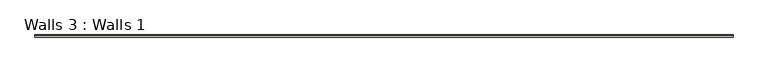
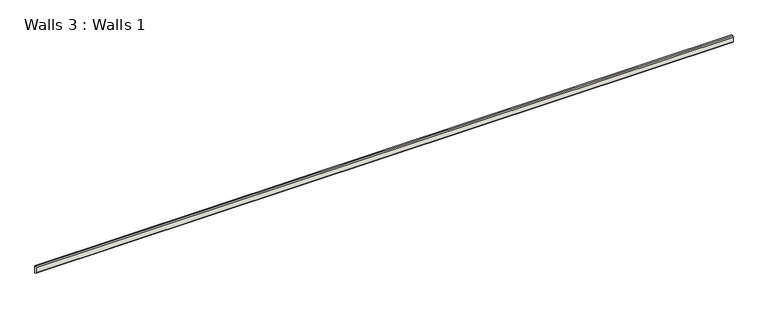
"""IFC4 building model written with IfcOpenShell, lengths in millimetres: wall geometry, Walls 3 : Walls 1."""

from ifc_helpers import new_model, si_unit, frame, origin, place, context, project, spatial, polyline, outline, extrude, source, transform, mapped, element, save


def walls_3_walls_1_3c860b2f(model_context):
    return source(origin(), model_context, "Body", "SweptSolid", [
        extrude(outline(polyline([(2116.3184093, 388.4360524), (2116.3184093, 364.7673289), (2112.7683086, 364.7673289), (2109.4176782, 368.1179592), (2109.4176782, 385.0854221), (2112.7683086, 388.4360524), (2116.3184093, 388.4360524)])), frame((-663.6267943, 0.0, 0.0), z_axis=(1.0, 0.0, 0.0), x_axis=(0.0, 1.0, 0.0)), (0.0, 0.0, 1.0), 2286.0),
    ])


if __name__ == "__main__":
    model = new_model("IFC4")
    model_context = context("Model", 3, world=origin())
    ifc_project = project(units=[si_unit("LENGTHUNIT", "METRE", prefix="MILLI")], contexts=[model_context])
    site = spatial("IfcSite", under=ifc_project)
    building = spatial("IfcBuilding", under=site)
    placement = place(None, origin())
    walls_3_walls_1_shape = walls_3_walls_1_3c860b2f(model_context)
    element("IfcWall", 1, ObjectType="Walls 3 : Walls 1", at=placement, inside=building, context=model_context, shape_type="MappedRepresentation", body=[
        mapped(walls_3_walls_1_shape, transform((0.0, 0.0, 0.0), x_axis=(1.0, 0.0, 0.0), y_axis=(0.0, 1.0, 0.0), z_axis=(0.0, 0.0, 1.0))),
    ])
    save(model, "model.ifc")
